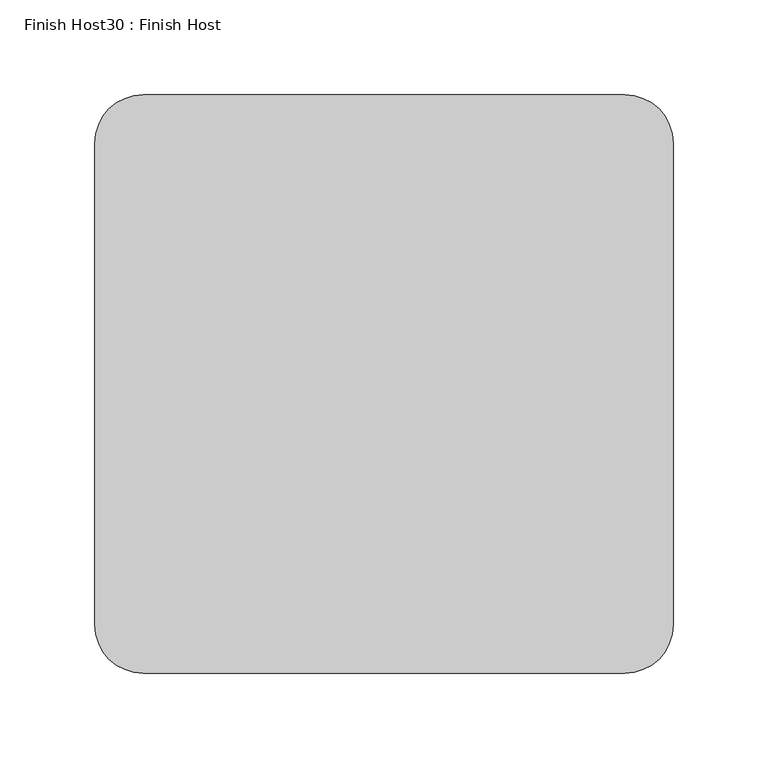
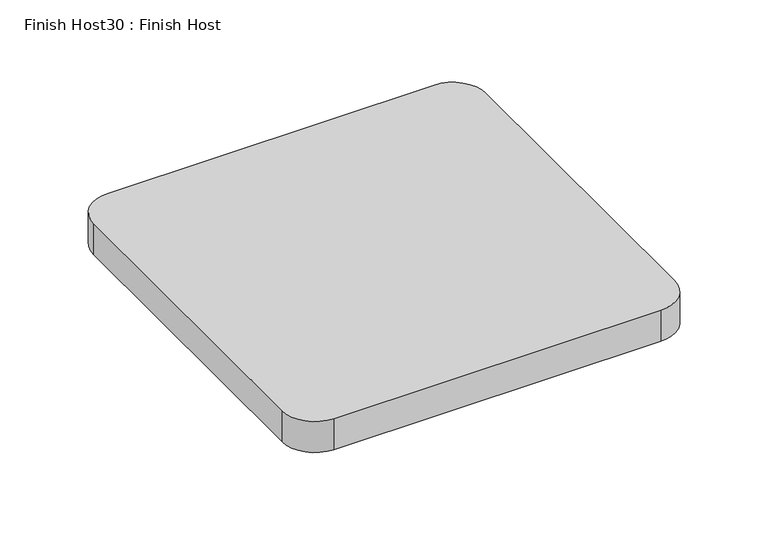
"""IFC4 building model written with IfcOpenShell, lengths in millimetres: proxy geometry, Finish Host30 : Finish Host."""

from ifc_helpers import new_model, si_unit, point, frame_2d, origin, origin_with_axes, place, context, project, spatial, polyline, circle_curve, trimmed, segment, composite_curve, outline, extrude, source, transform, mapped, element, save


def finish_host30_finish_host_64383cae(model_context):
    return source(origin(), model_context, "Body", "SweptSolid", [
        extrude(outline(composite_curve([segment(polyline([(3477.0934426, 546.4122951), (3477.0934426, 800.4122951)]), True, "CONTINUOUS"), segment(trimmed(circle_curve(frame_2d((3502.4934426, 800.4122951)), 25.4), [point((3477.0934426, 800.4122951))], [point((3502.4934426, 825.8122951))], False, "CARTESIAN"), True, "CONTINUOUS"), segment(polyline([(3502.4934426, 825.8122951), (3756.4934426, 825.8122951)]), True, "CONTINUOUS"), segment(trimmed(circle_curve(frame_2d((3756.4934426, 800.4122951)), 25.4), [point((3756.4934426, 825.8122951))], [point((3781.8934426, 800.4122951))], False, "CARTESIAN"), True, "CONTINUOUS"), segment(polyline([(3781.8934426, 800.4122951), (3781.8934426, 546.4122951)]), True, "CONTINUOUS"), segment(trimmed(circle_curve(frame_2d((3756.4934426, 546.4122951)), 25.4), [point((3781.8934426, 546.4122951))], [point((3756.4934426, 521.0122951))], False, "CARTESIAN"), True, "CONTINUOUS"), segment(polyline([(3756.4934426, 521.0122951), (3502.4934426, 521.0122951)]), True, "CONTINUOUS"), segment(trimmed(circle_curve(frame_2d((3502.4934426, 546.4122951)), 25.4), [point((3502.4934426, 521.0122951))], [point((3477.0934426, 546.4122951))], False, "CARTESIAN"), True, "CONTINUOUS")], self_intersect=False)), origin_with_axes(), (0.0, 0.0, 1.0), 25.4),
    ])


if __name__ == "__main__":
    model = new_model("IFC4")
    model_context = context("Model", 3, world=origin())
    ifc_project = project(units=[si_unit("LENGTHUNIT", "METRE", prefix="MILLI")], contexts=[model_context])
    site = spatial("IfcSite", under=ifc_project)
    building = spatial("IfcBuilding", under=site)
    placement = place(None, origin())
    finish_host30_finish_host_shape = finish_host30_finish_host_64383cae(model_context)
    element("IfcBuildingElementProxy", 1, Name="Finish Host30 : Finish Host", ObjectType="Finish Host30 : Finish Host", at=placement, inside=building, context=model_context, shape_type="MappedRepresentation", body=[
        mapped(finish_host30_finish_host_shape, transform((0.0, 0.0, 0.0), x_axis=(1.0, 0.0, 0.0), y_axis=(0.0, 1.0, 0.0), z_axis=(0.0, 0.0, 1.0))),
    ])
    save(model, "model.ifc")
